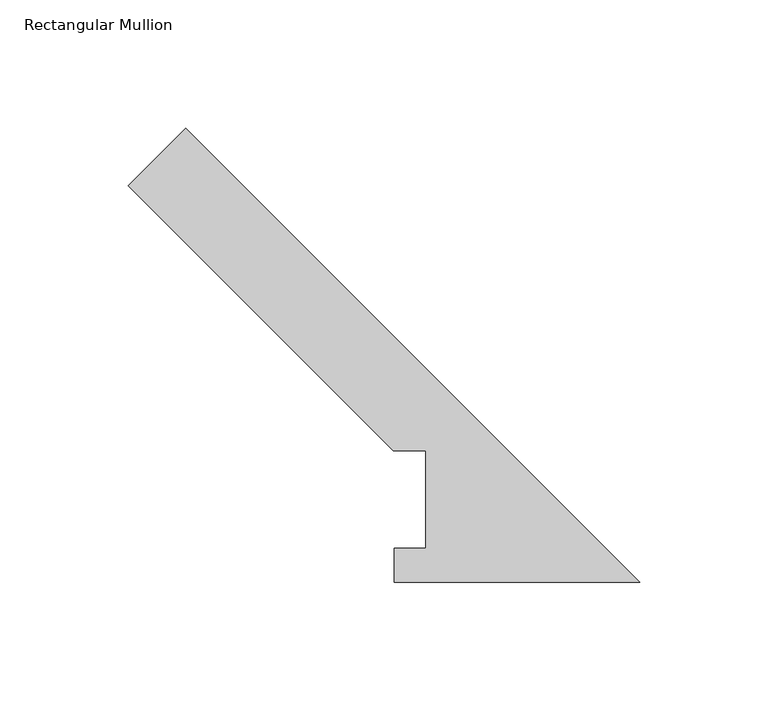
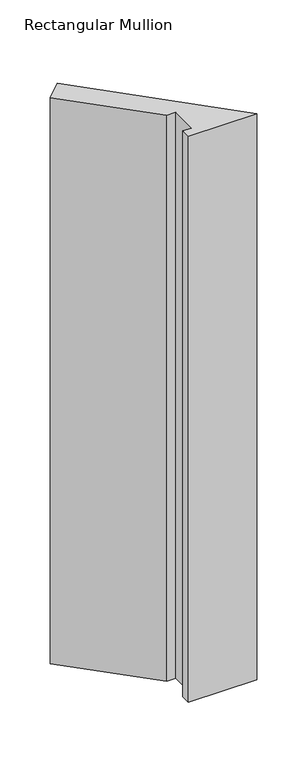
"""IFC4 building model written with IfcOpenShell, lengths in millimetres: member geometry, Rectangular Mullion."""

from ifc_helpers import new_model, si_unit, frame, origin, place, context, project, spatial, polyline, outline, extrude, source, transform, mapped, element, save


def rectangular_mullion_c1d44bdc(model_context):
    return source(origin(), model_context, "Body", "SweptSolid", [
        extrude(outline(polyline([(0.0, 0.0173344), (-95.7961125, 0.0173344), (-95.7961125, 13.1903275), (-83.48004, 13.1903275), (-83.48004, 51.2960937), (-96.18004, 51.2960937), (-199.4709459, 154.5869997), (-177.0203056, 177.03764), (0.0, 0.0173344)])), frame((0.0, 0.0, -838.1999996), z_axis=(0.0, 0.0, 1.0), x_axis=(1.0, 0.0, 0.0)), (0.0, 0.0, 1.0), 838.1999996),
    ])


if __name__ == "__main__":
    model = new_model("IFC4")
    model_context = context("Model", 3, world=origin())
    ifc_project = project(units=[si_unit("LENGTHUNIT", "METRE", prefix="MILLI")], contexts=[model_context])
    site = spatial("IfcSite", under=ifc_project)
    building = spatial("IfcBuilding", under=site)
    placement = place(None, origin())
    rectangular_mullion_shape = rectangular_mullion_c1d44bdc(model_context)
    element("IfcMember", 1, ObjectType="Rectangular Mullion", at=placement, inside=building, context=model_context, shape_type="MappedRepresentation", body=[
        mapped(rectangular_mullion_shape, transform((0.0, 0.0, 0.0), x_axis=(1.0, 0.0, 0.0), y_axis=(0.0, 1.0, 0.0), z_axis=(0.0, 0.0, 1.0))),
    ])
    save(model, "model.ifc")
